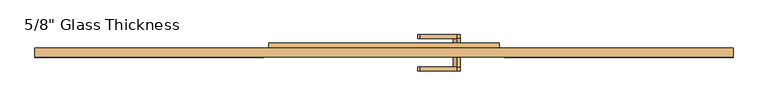
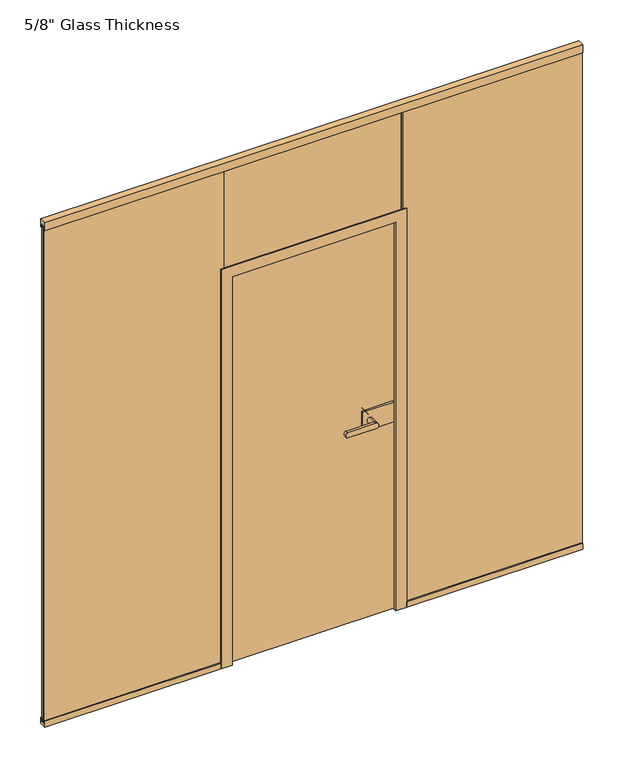
"""IFC4 building model written with IfcOpenShell, lengths in millimetres: door geometry."""

import ifcopenshell
import ifcopenshell.guid

model = None  # the IFC model being written
_history = None  # IfcOwnerHistory: only IFC2X3 demands one
_inside = {}  # id of a spatial element -> (the spatial element, [elements in it])
_under = {}  # id of a project, library or spatial element -> (it, [spatial elements below it])
_declared = {}  # id of a project -> (the project, [libraries it declares])
_typed = {}  # id of a type object -> (the type object, [elements of that type])
_made_of = {}  # id of a material, layer set ... -> (it, [elements and type objects made of it])


def new_model(schema):
    """Start an empty IFC model of exactly this schema.

    Asked for "IFC4X3", IfcOpenShell would pick the latest addendum, in which some entities
    have other attributes; the version numbers below select the first issue.
    IFC2X3 requires an IfcOwnerHistory on every rooted entity: one is made here for all.
    """
    global model, _history
    if schema == "IFC4X3":
        model = ifcopenshell.file(schema_version=(4, 3, 0, 0))
    else:
        model = ifcopenshell.file(schema=schema)
    _inside.clear()
    _under.clear()
    _declared.clear()
    _typed.clear()
    _made_of.clear()
    _history = None
    if model.schema == "IFC2X3":
        org = make("IfcOrganization", Name="unknown")
        user = make(
            "IfcPersonAndOrganization",
            ThePerson=make("IfcPerson", FamilyName="unknown"),
            TheOrganization=org,
        )
        app = make(
            "IfcApplication",
            ApplicationDeveloper=org,
            Version="unknown",
            ApplicationFullName="unknown",
            ApplicationIdentifier="unknown",
        )
        _history = make(
            "IfcOwnerHistory",
            OwningUser=user,
            OwningApplication=app,
            ChangeAction="ADDED",
            CreationDate=0,
        )
    return model


def make(cls, **values):
    """One entity of the class cls with the attributes given. An attribute that is None is left unset."""
    return model.create_entity(
        cls, **{name: value for name, value in values.items() if value is not None}
    )


def rooted(cls, **values):
    """An entity with a GlobalId (a new one), such as an element, a storey or a relation."""
    return make(cls, GlobalId=ifcopenshell.guid.new(), OwnerHistory=_history, **values)


def si_unit(unit_type, name, prefix=None):
    """IfcSIUnit, for example si_unit("LENGTHUNIT", "METRE", prefix="MILLI")."""
    return make("IfcSIUnit", UnitType=unit_type, Prefix=prefix, Name=name)


def assignment(units):
    """IfcUnitAssignment: the units of a project."""
    return None if units is None else make("IfcUnitAssignment", Units=units)


def point(xyz):
    """IfcCartesianPoint."""
    return None if xyz is None else make("IfcCartesianPoint", Coordinates=xyz)


def direction(xyz):
    """IfcDirection."""
    return None if xyz is None else make("IfcDirection", DirectionRatios=xyz)


def frame(location, z_axis=None, x_axis=None):
    """IfcAxis2Placement3D, a coordinate frame: its origin and axes. An axis left out is left unset."""
    return make(
        "IfcAxis2Placement3D",
        Location=point(location),
        Axis=direction(z_axis),
        RefDirection=direction(x_axis),
    )


def frame_2d(location, x_axis=None):
    """IfcAxis2Placement2D, a coordinate frame in the plane: its origin and x axis."""
    return make(
        "IfcAxis2Placement2D", Location=point(location), RefDirection=direction(x_axis)
    )


def origin():
    """The frame at (0, 0, 0) with its axes left unset."""
    return frame((0.0, 0.0, 0.0))


def place(relative_to, where):
    """IfcLocalPlacement: puts the frame where relative to a parent placement (None: the world)."""
    return make(
        "IfcLocalPlacement", PlacementRelTo=relative_to, RelativePlacement=where
    )


def context(
    kind, dimensions, precision=None, world=None, true_north=None, identifier=None
):
    """IfcGeometricRepresentationContext, for example the 3D "Model" context."""
    return make(
        "IfcGeometricRepresentationContext",
        ContextIdentifier=identifier,
        ContextType=kind,
        CoordinateSpaceDimension=dimensions,
        Precision=precision,
        WorldCoordinateSystem=world,
        TrueNorth=true_north,
    )


def project(units=None, contexts=None):
    """IfcProject with its units and contexts."""
    return rooted(
        "IfcProject",
        Name="project",
        RepresentationContexts=contexts,
        UnitsInContext=assignment(units),
    )


def spatial(cls, under=None, at=None, **own):
    """A site, building, storey or space (cls), placed at a placement, below another one or the project."""
    s = rooted(cls, ObjectPlacement=at, **own)
    if under is not None:
        _under.setdefault(under.id(), (under, []))[1].append(s)
    return s


def polyline(points):
    """IfcPolyline through the points."""
    return make("IfcPolyline", Points=[point(p) for p in points])


def circle_curve(where, radius):
    """IfcCircle in the frame where."""
    return make("IfcCircle", Position=where, Radius=radius)


def ellipse_curve(where, semi_axis1, semi_axis2):
    """IfcEllipse in the frame where."""
    return make(
        "IfcEllipse", Position=where, SemiAxis1=semi_axis1, SemiAxis2=semi_axis2
    )


def trimmed(basis, trim1, trim2, sense, master):
    """IfcTrimmedCurve: the piece of a basis curve between two trims."""
    return make(
        "IfcTrimmedCurve",
        BasisCurve=basis,
        Trim1=trim1,
        Trim2=trim2,
        SenseAgreement=sense,
        MasterRepresentation=master,
    )


def segment(curve, same_sense, transition):
    """IfcCompositeCurveSegment."""
    return make(
        "IfcCompositeCurveSegment",
        Transition=transition,
        SameSense=same_sense,
        ParentCurve=curve,
    )


def composite_curve(segments, self_intersect=None):
    """IfcCompositeCurve: segments joined end to end."""
    return make("IfcCompositeCurve", Segments=segments, SelfIntersect=self_intersect)


def outline(outer, holes=None, kind="AREA"):
    """IfcArbitraryClosedProfileDef: a profile drawn as a closed curve; with holes, ...WithVoids."""
    if holes is None:
        return make("IfcArbitraryClosedProfileDef", ProfileType=kind, OuterCurve=outer)
    return make(
        "IfcArbitraryProfileDefWithVoids",
        ProfileType=kind,
        OuterCurve=outer,
        InnerCurves=holes,
    )


def extrude(swept, where, along, depth):
    """IfcExtrudedAreaSolid: the profile swept, set in the frame where, extruded along a direction by depth."""
    return make(
        "IfcExtrudedAreaSolid",
        SweptArea=swept,
        Position=where,
        ExtrudedDirection=direction(along),
        Depth=depth,
    )


def faces_of(points, faces, orient=None, outer=None):
    """IfcFace entities. A face is a list of loops; a loop is a list of indices into points, from 0.

    orient and outer hold one flag for each loop. By default every Orientation is true, the
    first loop of a face is its IfcFaceOuterBound and the others are IfcFaceBound.
    """
    made = []
    for i, loops in enumerate(faces):
        bounds = []
        for j, loop in enumerate(loops):
            is_outer = j == 0 if outer is None else outer[i][j]
            bounds.append(
                make(
                    "IfcFaceOuterBound" if is_outer else "IfcFaceBound",
                    Bound=make("IfcPolyLoop", Polygon=[points[k] for k in loop]),
                    Orientation=True if orient is None else orient[i][j],
                )
            )
        made.append(make("IfcFace", Bounds=bounds))
    return made


def faceted_brep(points, faces, orient=None, outer=None, voids=None):
    """IfcFacetedBrep: a solid bounded by flat faces; with voids (closed shells), ...WithVoids."""
    shared = [point(p) for p in points]
    hull = make("IfcClosedShell", CfsFaces=faces_of(shared, faces, orient, outer))
    if voids is None:
        return make("IfcFacetedBrep", Outer=hull)
    return make(
        "IfcFacetedBrepWithVoids",
        Outer=hull,
        Voids=[
            make(cls, CfsFaces=faces_of(shared, fs, o, b)) for cls, fs, o, b in voids
        ],
    )


def shape(context_of_items, identifier, shape_type, items):
    """IfcShapeRepresentation: the items that make up one representation, for example the "Body"."""
    return make(
        "IfcShapeRepresentation",
        ContextOfItems=context_of_items,
        RepresentationIdentifier=identifier,
        RepresentationType=shape_type,
        Items=items,
    )


def source(mapping_origin, context_of_items, identifier, shape_type, items):
    """IfcRepresentationMap: a shape defined once, which mapped items show again and again."""
    return make(
        "IfcRepresentationMap",
        MappingOrigin=mapping_origin,
        MappedRepresentation=shape(context_of_items, identifier, shape_type, items),
    )


def transform(
    local_origin,
    x_axis=None,
    y_axis=None,
    z_axis=None,
    scale=None,
    scale2=None,
    scale3=None,
    uniform=True,
):
    """IfcCartesianTransformationOperator3D, or its non-uniform kind. x_axis, y_axis, z_axis: its Axis1, 2, 3."""
    if uniform:
        return make(
            "IfcCartesianTransformationOperator3D",
            Axis1=direction(x_axis),
            Axis2=direction(y_axis),
            LocalOrigin=point(local_origin),
            Scale=scale,
            Axis3=direction(z_axis),
        )
    return make(
        "IfcCartesianTransformationOperator3DnonUniform",
        Axis1=direction(x_axis),
        Axis2=direction(y_axis),
        LocalOrigin=point(local_origin),
        Scale=scale,
        Axis3=direction(z_axis),
        Scale2=scale2,
        Scale3=scale3,
    )


def mapped(mapping_source, mapping_target):
    """IfcMappedItem: shows the shape of a source again, moved by a transform."""
    return make(
        "IfcMappedItem", MappingSource=mapping_source, MappingTarget=mapping_target
    )


def made_of(thing, what):
    """Note that an element or type object is made of a material, layer set ...; save() writes the relation."""
    if what is not None:
        _made_of.setdefault(what.id(), (what, []))[1].append(thing)
    return thing


def element(
    cls,
    number,
    at=None,
    inside=None,
    cuts=None,
    type_object=None,
    material=None,
    context=None,
    identifier="Body",
    shape_type=None,
    held_by="IfcProductDefinitionShape",
    body=None,
    shapes=None,
    **own,
):
    """One element of the class cls, such as IfcWall. Its Tag is "e" and its number.

    at: its placement. inside: the storey or other place that contains it. cuts: it is an
    opening in that element (IfcRelVoidsElement). A single representation is given by context,
    identifier, shape_type and body (its items); several are given by shapes. held_by: the class
    of the entity that holds the representations. save() writes the other relations.
    """
    e = rooted(cls, Tag="e%d" % number, ObjectPlacement=at, **own)
    if body is not None:
        shapes = [shape(context, identifier, shape_type, body)]
    if shapes is not None:
        e.Representation = make(held_by, Representations=shapes)
    if inside is not None:
        _inside.setdefault(inside.id(), (inside, []))[1].append(e)
    if cuts is not None:
        rooted(
            "IfcRelVoidsElement", RelatingBuildingElement=cuts, RelatedOpeningElement=e
        )
    if type_object is not None:
        _typed.setdefault(type_object.id(), (type_object, []))[1].append(e)
    return made_of(e, material)


def aggregate(whole, parts):
    """IfcRelAggregates: a whole, such as a stair, and the parts it consists of."""
    return rooted("IfcRelAggregates", RelatingObject=whole, RelatedObjects=parts)


def save(model, path):
    """Write the relations noted so far, then the file.

    IfcRelAggregates (storeys below a building ...), IfcRelContainedInSpatialStructure (elements
    in a storey), IfcRelDefinesByType, IfcRelAssociatesMaterial and IfcRelDeclares: one each for
    every whole, place, type object, material and project.
    """
    for whole, parts in _under.values():
        aggregate(whole, parts)
    for where, things in _inside.values():
        rooted(
            "IfcRelContainedInSpatialStructure",
            RelatedElements=things,
            RelatingStructure=where,
        )
    for kind, things in _typed.values():
        rooted("IfcRelDefinesByType", RelatedObjects=things, RelatingType=kind)
    for what, things in _made_of.values():
        rooted("IfcRelAssociatesMaterial", RelatedObjects=things, RelatingMaterial=what)
    for by, libraries in _declared.values():
        rooted("IfcRelDeclares", RelatingContext=by, RelatedDefinitions=libraries)
    model.write(path)


def plane_surface(at):
    """IfcPlane: the flat surface through the origin of the frame at, square to its z axis."""
    return make("IfcPlane", Position=at)


def cylinder_surface(at, radius):
    """IfcCylindricalSurface: all points at the distance radius from the z axis of the frame at."""
    return make("IfcCylindricalSurface", Position=at, Radius=radius)


def extruded_surface(curve, direction_of_extrusion, depth):
    """IfcSurfaceOfLinearExtrusion: the curve pushed along a direction by depth."""
    return make(
        "IfcSurfaceOfLinearExtrusion",
        SweptCurve=make("IfcArbitraryOpenProfileDef", ProfileType="CURVE", Curve=curve),
        ExtrudedDirection=direction(direction_of_extrusion),
        Depth=depth,
    )


def advanced_brep(points, edges, surfaces, faces):
    """IfcAdvancedBrep: a solid bounded by faces that lie on surfaces and meet in shared edges.

    An edge is (start, end): straight between two places in points (the first is 0);
    or (start, end, curve); or (start, end, curve, False) where it runs against its curve.
    A face is (place in surfaces, loops), or (place, loops, False) where it looks against
    its surface's normal. A loop lists edges by number (the first is 1), with a minus sign
    where the edge is run from its end to its start. The first loop is the outer one.
    """
    corners = [point(p) for p in points]
    vertices = [make("IfcVertexPoint", VertexGeometry=c) for c in corners]
    made = []
    for start, end, *more in edges:
        made.append(
            make(
                "IfcEdgeCurve",
                EdgeStart=vertices[start],
                EdgeEnd=vertices[end],
                EdgeGeometry=more[0] if more else make("IfcPolyline", Points=[corners[start], corners[end]]),
                SameSense=more[1] if len(more) > 1 else True,
            )
        )
    hull = []
    for where, loops, *sense in faces:
        bounds = []
        for j, loop in enumerate(loops):
            ring = [make("IfcOrientedEdge", EdgeElement=made[abs(k) - 1], Orientation=k > 0) for k in loop]
            bounds.append(
                make(
                    "IfcFaceOuterBound" if j == 0 else "IfcFaceBound",
                    Bound=make("IfcEdgeLoop", EdgeList=ring),
                    Orientation=True,
                )
            )
        hull.append(make("IfcAdvancedFace", Bounds=bounds, FaceSurface=surfaces[where], SameSense=sense[0] if sense else True))
    return make("IfcAdvancedBrep", Outer=make("IfcClosedShell", CfsFaces=hull))


def door_e40248e0(model_context):
    return source(origin(), model_context, "Body", "SolidModel", [
        extrude(outline(composite_curve([segment(trimmed(circle_curve(frame_2d((910.0, 242.0)), 11.9886308), [point((921.9886308, 242.0))], [point((898.0113692, 242.0))], False, "CARTESIAN"), True, "CONTINUOUS"), segment(trimmed(circle_curve(frame_2d((910.0, 242.0)), 11.9886308), [point((898.0113692, 242.0))], [point((921.9886308, 242.0))], False, "CARTESIAN"), True, "CONTINUOUS")], self_intersect=False)), frame((0.0, -54.56, 0.0), z_axis=(0.0, 1.0, 0.0), x_axis=(0.0, 0.0, 1.0)), (0.0, 0.0, 1.0), 33.5),
        advanced_brep(
        [(242.0, -54.56, 921.9886308), (242.0, -54.56, 898.0113692), (120.3382074, -54.56, 898.0113692), (120.3382074, -54.56, 921.9886308), (242.0, -67.06, 921.9886308), (120.3382074, -67.06, 921.9886308), (120.3382074, -67.06, 898.0113692), (242.0, -67.06, 898.0113692)],
        [
            (0, 1, circle_curve(frame((242.0, -54.56, 910.0), z_axis=(0.0, 1.0, 0.0), x_axis=(0.0, 0.0, -1.0)), 11.9886308)),
            (1, 2),
            (2, 3, ellipse_curve(frame((120.3382074, -54.56, 910.0), z_axis=(0.0, 1.0, 0.0), x_axis=(0.0, 0.0, 1.0)), 11.9886308, 7.9050795)),
            (3, 0),
            (4, 5),
            (5, 6, ellipse_curve(frame((120.3382074, -67.06, 910.0), z_axis=(0.0, -1.0, 0.0), x_axis=(0.0, 0.0, 1.0)), 11.9886308, 7.9050795)),
            (6, 7),
            (7, 4, circle_curve(frame((242.0, -67.06, 910.0), z_axis=(0.0, -1.0, 0.0), x_axis=(0.0, 0.0, -1.0)), 11.9886308)),
            (3, 5),
            (4, 0),
            (2, 6),
            (1, 7),
        ],
        [
            plane_surface(frame((120.3382074, -54.56, 921.9886308), z_axis=(0.0, 1.0, 0.0), x_axis=(-1.0, 0.0, 0.0))),
            plane_surface(frame((120.3382074, -67.06, 921.9886308), z_axis=(0.0, -1.0, 0.0), x_axis=(1.0, 0.0, 0.0))),
            plane_surface(frame((242.0, -54.56, 921.9886308), z_axis=(0.0, 0.0, 1.0), x_axis=(0.0, -1.0, 0.0))),
            extruded_surface(trimmed(ellipse_curve(frame((120.3382074, -67.06, 910.0), z_axis=(0.0, -1.0, 0.0), x_axis=(0.0, 0.0, 1.0)), 11.9886308, 7.9050795), [point((120.3382074, -67.06, 921.9886308))], [point((120.3382074, -67.06, 898.0113692))], True, "CARTESIAN"), (0.0, -12.5, 0.0), 12.5),
            plane_surface(frame((120.3382074, -54.56, 898.0113692), z_axis=(0.0, 0.0, -1.0), x_axis=(0.0, -1.0, 0.0))),
            cylinder_surface(frame((242.0, -67.06, 910.0), z_axis=(0.0, 1.0, 0.0), x_axis=(0.0, 0.0, -1.0)), 11.9886308),
        ],
        [
            (0, [[1, 2, 3, 4]]),
            (1, [[5, 6, 7, 8]]),
            (2, [[9, -5, 10, -4]]),
            (3, [[11, -6, -9, -3]]),
            (4, [[12, -7, -11, -2]]),
            (5, [[-10, -8, -12, -1]]),
        ],
    ),
        extrude(outline(polyline([(346.0, -11.06), (346.0, -21.06), (212.0, -21.06), (212.0, -11.06), (346.0, -11.06)])), frame((0.0, 0.0, 865.0), z_axis=(0.0, 0.0, 1.0), x_axis=(1.0, 0.0, 0.0)), (0.0, 0.0, 1.0), 90.0),
        extrude(outline(polyline([(362.0, 6.94), (362.0, -3.06), (212.0, -3.06), (212.0, 6.94), (362.0, 6.94)])), frame((0.0, 0.0, 865.0), z_axis=(0.0, 0.0, 1.0), x_axis=(1.0, 0.0, 0.0)), (0.0, 0.0, 1.0), 90.0),
        advanced_brep(
        [(242.0, 6.94, 921.9886308), (242.0, 6.94, 898.0113692), (242.0, 40.4398825, 921.9886308), (242.0, 40.4398825, 898.0113692), (242.0, 52.9399695, 921.9886308), (242.0, 52.9399695, 898.0113692), (120.3382074, 52.9399695, 898.0113692), (120.3382074, 52.9399695, 921.9886308), (120.3382074, 40.4398825, 921.9886308), (120.3382074, 40.4398825, 898.0113692)],
        [
            (0, 1, circle_curve(frame((242.0, 6.94, 910.0), z_axis=(0.0, -1.0, 0.0), x_axis=(0.0, 0.0, -1.0)), 11.9886308)),
            (1, 0, circle_curve(frame((242.0, 6.94, 910.0), z_axis=(0.0, -1.0, 0.0), x_axis=(0.0, 0.0, -1.0)), 11.9886308)),
            (0, 2),
            (2, 3, circle_curve(frame((242.0, 40.4398825, 910.0), z_axis=(0.0, -1.0, 0.0), x_axis=(0.0, 0.0, -1.0)), 11.9886308)),
            (3, 1),
            (3, 2, circle_curve(frame((242.0, 40.4398825, 910.0), z_axis=(0.0, -1.0, 0.0), x_axis=(0.0, 0.0, -1.0)), 11.9886308)),
            (4, 5, circle_curve(frame((242.0, 52.9399695, 910.0), z_axis=(0.0, 1.0, 0.0), x_axis=(0.0, 0.0, -1.0)), 11.9886308)),
            (5, 6),
            (6, 7, ellipse_curve(frame((120.3382074, 52.9399695, 910.0), z_axis=(0.0, 1.0, 0.0), x_axis=(0.0, 0.0, 1.0)), 11.9886308, 7.9050795)),
            (7, 4),
            (2, 8),
            (8, 9, ellipse_curve(frame((120.3382074, 40.4398825, 910.0), z_axis=(0.0, -1.0, 0.0), x_axis=(0.0, 0.0, 1.0)), 11.9886308, 7.9050795)),
            (9, 3),
            (7, 8),
            (2, 4),
            (6, 9),
            (5, 3),
        ],
        [
            plane_surface(frame((242.0, 6.94, 898.0113692), z_axis=(0.0, -1.0, 0.0), x_axis=(-1.0, 0.0, 0.0))),
            cylinder_surface(frame((242.0, 6.94, 910.0), z_axis=(0.0, 1.0, 0.0), x_axis=(0.0, 0.0, -1.0)), 11.9886308),
            plane_surface(frame((120.3382074, 52.9399695, 921.9886308), z_axis=(0.0, 1.0, 0.0), x_axis=(-1.0, 0.0, 0.0))),
            plane_surface(frame((120.3382074, 40.4398825, 921.9886308), z_axis=(0.0, -1.0, 0.0), x_axis=(1.0, 0.0, 0.0))),
            plane_surface(frame((242.0, 52.9399695, 921.9886308), z_axis=(0.0, 0.0, 1.0), x_axis=(0.0, -1.0, 0.0))),
            extruded_surface(trimmed(ellipse_curve(frame((120.3382074, 40.4398825, 910.0), z_axis=(0.0, -1.0, 0.0), x_axis=(0.0, 0.0, 1.0)), 11.9886308, 7.9050795), [point((120.3382074, 40.4398825, 921.9886308))], [point((120.3382074, 40.4398825, 898.0113692))], True, "CARTESIAN"), (0.0, -12.500087000000004, 0.0), 12.500087000000004),
            plane_surface(frame((120.3382074, 52.9399695, 898.0113692), z_axis=(0.0, 0.0, -1.0), x_axis=(0.0, -1.0, 0.0))),
            cylinder_surface(frame((242.0, 40.4398825, 910.0), z_axis=(0.0, 1.0, 0.0), x_axis=(0.0, 0.0, -1.0)), 11.9886308),
        ],
        [
            (0, [[1, 2]]),
            (1, [[3, 4, 5, -1]]),
            (1, [[-5, 6, -3, -2]]),
            (2, [[7, 8, 9, 10]]),
            (3, [[-4, 11, 12, 13]]),
            (4, [[14, -11, 15, -10]]),
            (5, [[16, -12, -14, -9]]),
            (6, [[17, -13, -16, -8]]),
            (7, [[-15, -6, -17, -7]]),
        ],
    ),
        extrude(outline(polyline([(382.0, 0.0), (382.0, -8.0), (-382.0, -8.0), (-382.0, 0.0), (382.0, 0.0)])), frame((0.0, 0.0, 1807.2), z_axis=(0.0, 0.0, 1.0), x_axis=(1.0, 0.0, 0.0)), (0.0, 0.0, 1.0), 472.8),
        extrude(outline(polyline([(382.0, 0.0), (382.0, -8.0), (-382.0, -8.0), (-382.0, 0.0), (382.0, 0.0)])), frame((0.0, 0.0, 1807.2), z_axis=(0.0, 0.0, 1.0), x_axis=(1.0, 0.0, 0.0)), (0.0, 0.0, 1.0), 472.8),
        extrude(outline(polyline([(1160.5, 0.0), (1160.5, -8.0), (386.0, -8.0), (386.0, 0.0), (1160.5, 0.0)])), frame((0.0, 0.0, 13.0), z_axis=(0.0, 0.0, 1.0), x_axis=(1.0, 0.0, 0.0)), (0.0, 0.0, 1.0), 2267.0),
        extrude(outline(polyline([(-22.06, 0.0), (-22.06, 26.0), (-12.0, 26.0), (-12.0, 13.0), (0.0, 13.0), (0.0, 26.0), (7.94, 26.0), (7.94, 0.0), (-22.06, 0.0)])), frame((400.0, 0.0, 0.0), z_axis=(1.0, 0.0, 0.0), x_axis=(0.0, 1.0, 0.0)), (0.0, 0.0, 1.0), 760.5),
        extrude(outline(polyline([(-22.06, 2300.0), (7.94, 2300.0), (7.94, 2265.0), (0.0, 2265.0), (0.0, 2280.0), (-12.0, 2280.0), (-12.0, 2265.0), (-22.06, 2265.0), (-22.06, 2300.0)])), frame((-1160.5, 0.0, 0.0), z_axis=(1.0, 0.0, 0.0), x_axis=(0.0, 1.0, 0.0)), (0.0, 0.0, 1.0), 2321.0),
        extrude(outline(polyline([(-1160.5, -16.8), (-1160.5, -8.8), (-386.0, -8.8), (-386.0, -16.8), (-1160.5, -16.8)])), frame((0.0, 0.0, 13.0), z_axis=(0.0, 0.0, 1.0), x_axis=(1.0, 0.0, 0.0)), (0.0, 0.0, 1.0), 2267.0),
        extrude(outline(polyline([(1160.5, -16.8), (386.0, -16.8), (386.0, -8.8), (1160.5, -8.8), (1160.5, -16.8)])), frame((0.0, 0.0, 13.0), z_axis=(0.0, 0.0, 1.0), x_axis=(1.0, 0.0, 0.0)), (0.0, 0.0, 1.0), 2267.0),
        extrude(outline(polyline([(-22.06, 0.0), (-22.06, 26.0), (-12.0, 26.0), (-12.0, 13.0), (0.0, 13.0), (0.0, 26.0), (7.94, 26.0), (7.94, 0.0), (-22.06, 0.0)])), frame((-1160.5, 0.0, 0.0), z_axis=(1.0, 0.0, 0.0), x_axis=(0.0, 1.0, 0.0)), (0.0, 0.0, 1.0), 760.5),
        extrude(outline(polyline([(-1160.5, 0.0), (-386.0, 0.0), (-386.0, -8.0), (-1160.5, -8.0), (-1160.5, 0.0)])), frame((0.0, 0.0, 13.0), z_axis=(0.0, 0.0, 1.0), x_axis=(1.0, 0.0, 0.0)), (0.0, 0.0, 1.0), 2267.0),
        faceted_brep([(-365.9, -11.06, 0.0), (-353.0, -11.06, 0.0), (-353.0, -22.06, 0.0), (-400.0, -22.06, 0.0), (-400.0, -16.8, 0.0), (-386.0, -16.8, 0.0), (-386.0, 0.0, 0.0), (-400.0, 0.0, 0.0), (-400.0, 7.94, 0.0), (-383.0, 7.94, 0.0), (-383.0, 25.94, 0.0), (-365.9, 25.94, 0.0), (365.9, -11.06, 0.0), (365.9, 25.94, 0.0), (383.0, 25.94, 0.0), (383.0, 7.94, 0.0), (400.0, 7.94, 0.0), (400.0, 0.0, 0.0), (386.0, 0.0, 0.0), (386.0, -16.8, 0.0), (400.0, -16.8, 0.0), (400.0, -22.06, 0.0), (353.0, -22.06, 0.0), (353.0, -11.06, 0.0), (353.0, -22.06, 1773.0), (353.0, -11.06, 1773.0), (400.0, -16.8, 1820.0), (400.0, -22.06, 1820.0), (386.0, 0.0, 1806.0), (386.0, -16.8, 1806.0), (400.0, 7.94, 1820.0), (400.0, 0.0, 1820.0), (383.0, 25.94, 1803.0), (383.0, 7.94, 1803.0), (365.9, -11.06, 1785.9), (365.9, 25.94, 1785.9), (-365.9, -11.06, 1785.9), (-353.0, -11.06, 1773.0), (-353.0, -22.06, 1773.0), (-400.0, -22.06, 1820.0), (-400.0, -16.8, 1820.0), (-386.0, -16.8, 1806.0), (-386.0, 0.0, 1806.0), (-400.0, 0.0, 1820.0), (-400.0, 7.94, 1820.0), (-383.0, 7.94, 1803.0), (-383.0, 25.94, 1803.0), (-365.9, 25.94, 1785.9)], [[[0, 1, 2, 3, 4, 5, 6, 7, 8, 9, 10, 11]], [[12, 13, 14, 15, 16, 17, 18, 19, 20, 21, 22, 23]], [[24, 25, 23, 22]], [[26, 27, 21, 20]], [[28, 29, 19, 18]], [[30, 31, 17, 16]], [[32, 33, 15, 14]], [[34, 35, 13, 12]], [[1, 0, 36, 34, 12, 23, 25, 37]], [[2, 1, 37, 38]], [[3, 2, 38, 24, 22, 21, 27, 39]], [[4, 3, 39, 40]], [[5, 4, 40, 26, 20, 19, 29, 41]], [[6, 5, 41, 42]], [[7, 6, 42, 28, 18, 17, 31, 43]], [[8, 7, 43, 44]], [[9, 8, 44, 30, 16, 15, 33, 45]], [[10, 9, 45, 46]], [[11, 10, 46, 32, 14, 13, 35, 47]], [[0, 11, 47, 36]], [[38, 37, 25, 24]], [[40, 39, 27, 26]], [[42, 41, 29, 28]], [[44, 43, 31, 30]], [[46, 45, 33, 32]], [[36, 47, 35, 34]]]),
        extrude(outline(polyline([(361.0, -3.06), (361.0, -11.06), (-362.0, -11.06), (-362.0, -3.06), (361.0, -3.06)])), frame((0.0, 0.0, 7.0), z_axis=(0.0, 0.0, 1.0), x_axis=(1.0, 0.0, 0.0)), (0.0, 0.0, 1.0), 1775.0),
    ])


if __name__ == "__main__":
    model = new_model("IFC4")
    model_context = context("Model", 3, world=origin())
    ifc_project = project(units=[si_unit("LENGTHUNIT", "METRE", prefix="MILLI")], contexts=[model_context])
    site = spatial("IfcSite", under=ifc_project)
    building = spatial("IfcBuilding", under=site)
    placement = place(None, origin())
    door_shape = door_e40248e0(model_context)
    element("IfcDoor", 1, ObjectType="5/8\" Glass Thickness", at=placement, inside=building, context=model_context, shape_type="MappedRepresentation", body=[
        mapped(door_shape, transform((0.0, 0.0, 0.0), x_axis=(1.0, 0.0, 0.0), y_axis=(0.0, 1.0, 0.0), z_axis=(0.0, 0.0, 1.0))),
    ])
    save(model, "model.ifc")
